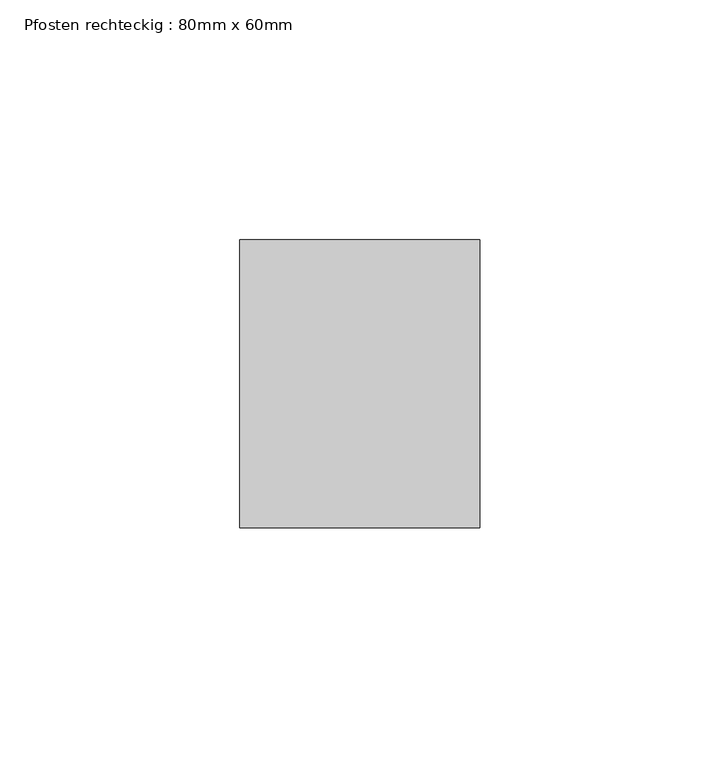
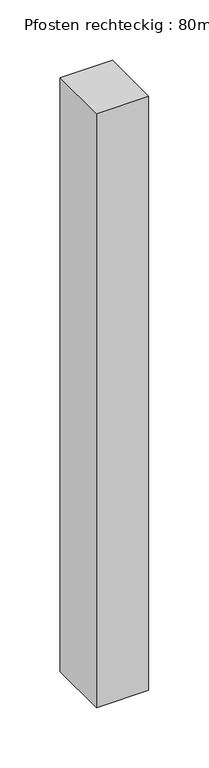
"""IFC4 building model written with IfcOpenShell, lengths in millimetres: member geometry, Pfosten rechteckig : 80mm x 60mm."""

from ifc_helpers import new_model, si_unit, frame, origin, place, context, project, spatial, polyline, outline, extrude, source, transform, mapped, element, save


def pfosten_rechteckig_80mm_x_60mm_4be3b94e(model_context):
    return source(origin(), model_context, "Body", "SweptSolid", [
        extrude(outline(polyline([(0.0, 30.0), (0.0, -30.0), (-50.0, -30.0), (-50.0, 30.0), (0.0, 30.0)])), frame((0.0, 0.0, -600.0), z_axis=(0.0, 0.0, 1.0), x_axis=(1.0, 0.0, 0.0)), (0.0, 0.0, 1.0), 600.0),
    ])


if __name__ == "__main__":
    model = new_model("IFC4")
    model_context = context("Model", 3, world=origin())
    ifc_project = project(units=[si_unit("LENGTHUNIT", "METRE", prefix="MILLI")], contexts=[model_context])
    site = spatial("IfcSite", under=ifc_project)
    building = spatial("IfcBuilding", under=site)
    placement = place(None, origin())
    pfosten_rechteckig_80mm_x_60mm_shape = pfosten_rechteckig_80mm_x_60mm_4be3b94e(model_context)
    element("IfcMember", 1, ObjectType="Pfosten rechteckig : 80mm x 60mm", at=placement, inside=building, context=model_context, shape_type="MappedRepresentation", body=[
        mapped(pfosten_rechteckig_80mm_x_60mm_shape, transform((0.0, 0.0, 0.0), x_axis=(1.0, 0.0, 0.0), y_axis=(0.0, 1.0, 0.0), z_axis=(0.0, 0.0, 1.0))),
    ])
    save(model, "model.ifc")
